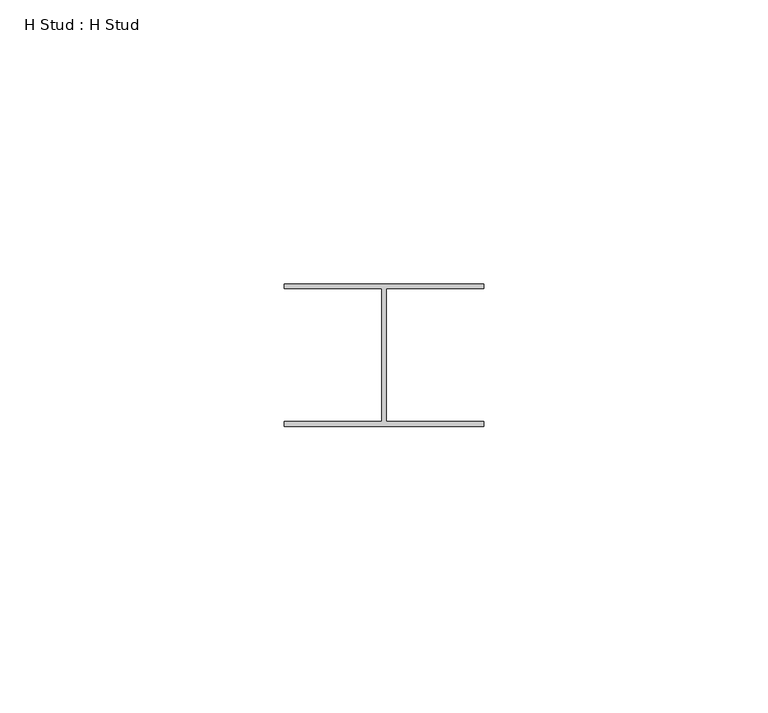
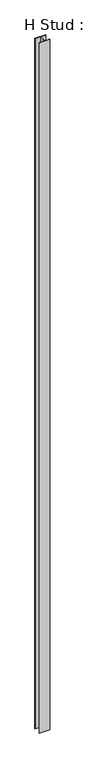
"""IFC4 building model written with IfcOpenShell, lengths in millimetres: proxy geometry, H Stud : H Stud."""

from ifc_helpers import new_model, si_unit, origin, origin_with_axes, place, context, project, spatial, polyline, outline, extrude, source, transform, mapped, element, save


def h_stud_h_stud_c5073946(model_context):
    return source(origin(), model_context, "Body", "SweptSolid", [
        extrude(outline(polyline([(17.5, 32.0), (17.5, 31.2), (0.4, 31.2), (0.4, 7.8288705), (17.5, 7.8288705), (17.5, 7.0288705), (-17.5, 7.0288705), (-17.5, 7.8288705), (-0.4, 7.8288705), (-0.4, 31.2), (-17.5, 31.2), (-17.5, 32.0), (17.5, 32.0)])), origin_with_axes(), (0.0, 0.0, 1.0), 2400.0),
    ])


if __name__ == "__main__":
    model = new_model("IFC4")
    model_context = context("Model", 3, world=origin())
    ifc_project = project(units=[si_unit("LENGTHUNIT", "METRE", prefix="MILLI")], contexts=[model_context])
    site = spatial("IfcSite", under=ifc_project)
    building = spatial("IfcBuilding", under=site)
    placement = place(None, origin())
    h_stud_h_stud_shape = h_stud_h_stud_c5073946(model_context)
    element("IfcBuildingElementProxy", 1, Name="H Stud : H Stud", ObjectType="H Stud : H Stud", at=placement, inside=building, context=model_context, shape_type="MappedRepresentation", body=[
        mapped(h_stud_h_stud_shape, transform((0.0, 0.0, 0.0), x_axis=(1.0, 0.0, 0.0), y_axis=(0.0, 1.0, 0.0), z_axis=(0.0, 0.0, 1.0))),
    ])
    save(model, "model.ifc")
